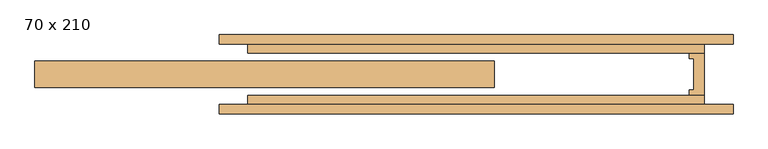
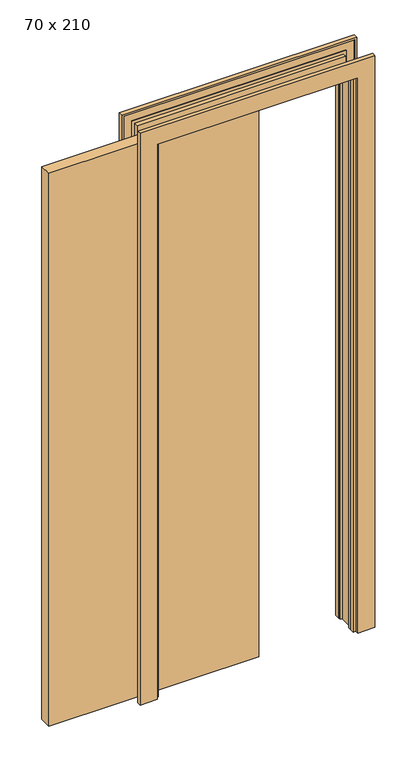
"""IFC4 building model written with IfcOpenShell, lengths in millimetres: door geometry, 70 x 210."""

from ifc_helpers import new_model, si_unit, origin, origin_with_axes, place, context, project, spatial, polyline, outline, extrude, faceted_brep, source, transform, mapped, element, save


def door_70_x_210_80b0e6a9(model_context):
    return source(origin(), model_context, "Body", "SolidModel", [
        extrude(outline(polyline([(12.8380093, 21.5), (12.8380093, -21.5), (-742.1619907, -21.5), (-742.1619907, 21.5), (12.8380093, 21.5)])), origin_with_axes(), (0.0, 0.0, 1.0), 2100.0),
        extrude(outline(polyline([(357.8380093, 35.0), (357.8380093, -35.0), (332.8380093, -35.0), (332.8380093, -26.0), (340.3380093, -26.0), (340.3380093, 26.0), (332.8380093, 26.0), (332.8380093, 35.0), (357.8380093, 35.0)])), origin_with_axes(), (0.0, 0.0, 1.0), 2100.0),
        faceted_brep([(-439.1619907, -65.0, 0.0), (-439.1619907, -50.0, 0.0), (-432.1679189, -50.0, 0.0), (-432.1679189, -53.0, 0.0), (-402.1619907, -53.0, 0.0), (-402.1619907, -50.0, 0.0), (-392.1619907, -50.0, 0.0), (-392.1619907, -35.0, 0.0), (-367.1619907, -35.0, 0.0), (-367.1619907, -53.5, 0.0), (-377.1619907, -53.5, 0.0), (-377.1619907, -65.0, 0.0), (-439.1619907, -65.0, 2172.0), (-439.1619907, -50.0, 2172.0), (404.8380093, -50.0, 2172.0), (404.8380093, -50.0, 0.0), (397.8439376, -50.0, 0.0), (397.8439376, -50.0, 2165.0059283), (-432.1679189, -50.0, 2165.0059283), (-432.1679189, -53.0, 2165.0059283), (397.8439376, -53.0, 2165.0059283), (397.8439376, -53.0, 0.0), (367.8380093, -53.0, 0.0), (367.8380093, -53.0, 2135.0), (-402.1619907, -53.0, 2135.0), (-402.1619907, -50.0, 2135.0), (367.8380093, -50.0, 2135.0), (367.8380093, -50.0, 0.0), (357.8380093, -50.0, 0.0), (357.8380093, -50.0, 2125.0), (-392.1619907, -50.0, 2125.0), (-392.1619907, -35.0, 2125.0), (357.8380093, -35.0, 2125.0), (357.8380093, -35.0, 0.0), (332.8380093, -35.0, 0.0), (332.8380093, -35.0, 2100.0), (-367.1619907, -35.0, 2100.0), (-367.1619907, -53.5, 2100.0), (332.8380093, -53.5, 2100.0), (332.8380093, -53.5, 0.0), (342.8380093, -53.5, 0.0), (342.8380093, -53.5, 2110.0), (-377.1619907, -53.5, 2110.0), (-377.1619907, -65.0, 2110.0), (342.8380093, -65.0, 2110.0), (342.8380093, -65.0, 0.0), (404.8380093, -65.0, 0.0), (404.8380093, -65.0, 2172.0)], [[[0, 1, 2, 3, 4, 5, 6, 7, 8, 9, 10, 11]], [[1, 0, 12, 13]], [[2, 1, 13, 14, 15, 16, 17, 18]], [[3, 2, 18, 19]], [[4, 3, 19, 20, 21, 22, 23, 24]], [[5, 4, 24, 25]], [[6, 5, 25, 26, 27, 28, 29, 30]], [[7, 6, 30, 31]], [[8, 7, 31, 32, 33, 34, 35, 36]], [[9, 8, 36, 37]], [[10, 9, 37, 38, 39, 40, 41, 42]], [[11, 10, 42, 43]], [[0, 11, 43, 44, 45, 46, 47, 12]], [[14, 47, 46, 15]], [[46, 45, 40, 39, 34, 33, 28, 27, 22, 21, 16, 15]], [[20, 17, 16, 21]], [[26, 23, 22, 27]], [[32, 29, 28, 33]], [[38, 35, 34, 39]], [[44, 41, 40, 45]], [[13, 12, 47, 14]], [[19, 18, 17, 20]], [[25, 24, 23, 26]], [[31, 30, 29, 32]], [[37, 36, 35, 38]], [[43, 42, 41, 44]]]),
        faceted_brep([(-439.1619907, 50.0, 0.0), (-439.1619907, 65.0, 0.0), (-377.1619907, 65.0, 0.0), (-377.1619907, 53.5, 0.0), (-367.1619907, 53.5, 0.0), (-367.1619907, 35.0, 0.0), (-392.1619907, 35.0, 0.0), (-392.1619907, 50.0, 0.0), (-402.1619907, 50.0, 0.0), (-402.1619907, 53.0, 0.0), (-432.0884701, 53.0, 0.0), (-432.0884701, 50.0, 0.0), (-439.1619907, 50.0, 2172.0), (-439.1619907, 65.0, 2172.0), (404.8380093, 65.0, 2172.0), (404.8380093, 65.0, 0.0), (342.8380093, 65.0, 0.0), (342.8380093, 65.0, 2110.0), (-377.1619907, 65.0, 2110.0), (-377.1619907, 53.5, 2110.0), (342.8380093, 53.5, 2110.0), (342.8380093, 53.5, 0.0), (332.8380093, 53.5, 0.0), (332.8380093, 53.5, 2100.0), (-367.1619907, 53.5, 2100.0), (-367.1619907, 35.0, 2100.0), (332.8380093, 35.0, 2100.0), (332.8380093, 35.0, 0.0), (357.8380093, 35.0, 0.0), (357.8380093, 35.0, 2125.0), (-392.1619907, 35.0, 2125.0), (-392.1619907, 50.0, 2125.0), (357.8380093, 50.0, 2125.0), (357.8380093, 50.0, 0.0), (367.8380093, 50.0, 0.0), (367.8380093, 50.0, 2135.0), (-402.1619907, 50.0, 2135.0), (-402.1619907, 53.0, 2135.0), (367.8380093, 53.0, 2135.0), (367.8380093, 53.0, 0.0), (397.7644888, 53.0, 0.0), (397.7644888, 53.0, 2164.9264794), (-432.0884701, 53.0, 2164.9264794), (-432.0884701, 50.0, 2164.9264794), (397.7644888, 50.0, 2164.9264794), (397.7644888, 50.0, 0.0), (404.8380093, 50.0, 0.0), (404.8380093, 50.0, 2172.0)], [[[0, 1, 2, 3, 4, 5, 6, 7, 8, 9, 10, 11]], [[1, 0, 12, 13]], [[2, 1, 13, 14, 15, 16, 17, 18]], [[3, 2, 18, 19]], [[4, 3, 19, 20, 21, 22, 23, 24]], [[5, 4, 24, 25]], [[6, 5, 25, 26, 27, 28, 29, 30]], [[7, 6, 30, 31]], [[8, 7, 31, 32, 33, 34, 35, 36]], [[9, 8, 36, 37]], [[10, 9, 37, 38, 39, 40, 41, 42]], [[11, 10, 42, 43]], [[0, 11, 43, 44, 45, 46, 47, 12]], [[14, 47, 46, 15]], [[46, 45, 40, 39, 34, 33, 28, 27, 22, 21, 16, 15]], [[20, 17, 16, 21]], [[26, 23, 22, 27]], [[32, 29, 28, 33]], [[38, 35, 34, 39]], [[44, 41, 40, 45]], [[13, 12, 47, 14]], [[19, 18, 17, 20]], [[25, 24, 23, 26]], [[31, 30, 29, 32]], [[37, 36, 35, 38]], [[43, 42, 41, 44]]]),
    ])


if __name__ == "__main__":
    model = new_model("IFC4")
    model_context = context("Model", 3, world=origin())
    ifc_project = project(units=[si_unit("LENGTHUNIT", "METRE", prefix="MILLI")], contexts=[model_context])
    site = spatial("IfcSite", under=ifc_project)
    building = spatial("IfcBuilding", under=site)
    placement = place(None, origin())
    door_70_x_210_shape = door_70_x_210_80b0e6a9(model_context)
    element("IfcDoor", 1, ObjectType="70 x 210", at=placement, inside=building, context=model_context, shape_type="MappedRepresentation", body=[
        mapped(door_70_x_210_shape, transform((0.0, 0.0, 0.0), x_axis=(1.0, 0.0, 0.0), y_axis=(0.0, 1.0, 0.0), z_axis=(0.0, 0.0, 1.0))),
    ])
    save(model, "model.ifc")
